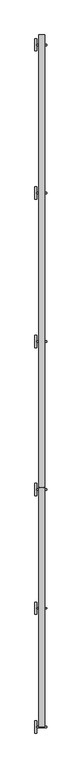
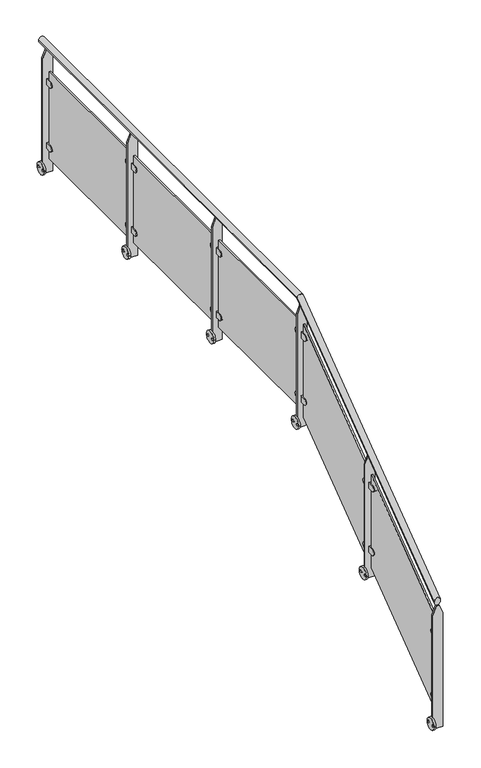
"""IFC4 building model written with IfcOpenShell, lengths in millimetres: railing geometry."""

from ifc_helpers import new_model, si_unit, point, frame, frame_2d, origin, place, context, project, spatial, polyline, circle_curve, ellipse_curve, trimmed, segment, composite_curve, outline, extrude, faceted_brep, source, transform, mapped, element, save
from ifc_brep_helpers import plane_surface, cylinder_surface, advanced_brep


def railing_c5476967(model_context):
    return source(origin(), model_context, "Body", "SolidModel", [
        advanced_brep(
        [(22556.3970847, 758.8773535, 1137.7352387), (22506.3970847, 758.8773535, 1137.7352387), (22506.3970847, 2701.0427821, 2588.6470588), (22556.3970847, 2701.0427821, 2588.6470588), (22556.3970847, 6358.8773535, 2588.6470588), (22506.3970847, 6358.8773535, 2588.6470588)],
        [
            (0, 1, ellipse_curve(frame((22531.3970847, 758.8773535, 1137.7352387), z_axis=(0.0, -1.0, 0.0), x_axis=(0.0, 0.0, -1.0)), 31.2059378, 25.0)),
            (1, 0, ellipse_curve(frame((22531.3970847, 758.8773535, 1137.7352387), z_axis=(0.0, -1.0, 0.0), x_axis=(0.0, 0.0, -1.0)), 31.2059378, 25.0)),
            (1, 2),
            (2, 3, ellipse_curve(frame((22531.3970847, 2701.0427821, 2588.6470588), z_axis=(0.0, -0.9489809231922535, -0.3153334860384772), x_axis=(0.0, 0.31533348603847766, -0.9489809231922534)), 26.3440491, 25.0)),
            (3, 0),
            (3, 2, ellipse_curve(frame((22531.3970847, 2701.0427821, 2588.6470588), z_axis=(0.0, -0.9489809231922535, -0.3153334860384772), x_axis=(0.0, 0.31533348603847766, -0.9489809231922534)), 26.3440491, 25.0)),
            (4, 5, circle_curve(frame((22531.3970847, 6358.8773535, 2588.6470588), z_axis=(0.0, 1.0, 0.0), x_axis=(-1.0, 0.0, 0.0)), 25.0)),
            (5, 4, circle_curve(frame((22531.3970847, 6358.8773535, 2588.6470588), z_axis=(0.0, 1.0, 0.0), x_axis=(-1.0, 0.0, 0.0)), 25.0)),
            (2, 5),
            (4, 3),
        ],
        [
            plane_surface(frame((22531.3970847, 758.8773535, 1168.9411765), z_axis=(0.0, -1.0, 0.0), x_axis=(0.0, 0.0, 1.0))),
            cylinder_surface(frame((22531.3970847, 773.8396267, 1148.9129368), z_axis=(0.0, -0.8011295851656431, -0.5984909253884512), x_axis=(-1.0, 0.0, 0.0)), 25.0),
            plane_surface(frame((22531.3970847, 6358.8773535, 2613.6470588), z_axis=(0.0, 1.0, 0.0), x_axis=(0.0, 0.0, 1.0))),
            cylinder_surface(frame((22531.3970847, 2692.7356212, 2588.6470588), z_axis=(0.0, -1.0, 0.0), x_axis=(-1.0, 0.0, 0.0)), 25.0),
        ],
        [
            (0, [[1, 2]]),
            (1, [[-2, 3, 4, 5]]),
            (1, [[-1, -5, 6, -3]]),
            (2, [[7, 8]]),
            (3, [[-4, 9, -7, 10]]),
            (3, [[-6, -10, -8, -9]]),
        ],
    ),
        extrude(outline(polyline([(1493.6470588, 22571.3970847), (2488.6470588, 22571.3970847), (2563.6470588, 22541.3970847), (2563.6470588, 22521.3970847), (2488.6470588, 22491.3970847), (1493.6470588, 22491.3970847), (1493.6470588, 22571.3970847)])), frame((0.0, 6272.8773535, 0.0), z_axis=(0.0, 1.0, 0.0), x_axis=(0.0, 0.0, 1.0)), (0.0, 0.0, 1.0), 12.0),
        extrude(outline(composite_curve([segment(trimmed(circle_curve(frame_2d((6278.8773535, 1543.6470588)), 50.0), [point((6328.8773535, 1543.6470588))], [point((6228.8773535, 1543.6470588))], False, "CARTESIAN"), True, "CONTINUOUS"), segment(trimmed(circle_curve(frame_2d((6278.8773535, 1543.6470588)), 50.0), [point((6228.8773535, 1543.6470588))], [point((6328.8773535, 1543.6470588))], False, "CARTESIAN"), True, "CONTINUOUS")], self_intersect=False), holes=[composite_curve([segment(trimmed(circle_curve(frame_2d((6309.8773535, 1543.6470588)), 9.0), [point((6318.8773535, 1543.6470588))], [point((6300.8773535, 1543.6470588))], True, "CARTESIAN"), True, "CONTINUOUS"), segment(trimmed(circle_curve(frame_2d((6309.8773535, 1543.6470588)), 9.0), [point((6300.8773535, 1543.6470588))], [point((6318.8773535, 1543.6470588))], True, "CARTESIAN"), True, "CONTINUOUS")], self_intersect=False), composite_curve([segment(trimmed(circle_curve(frame_2d((6247.8773535, 1543.6470588)), 9.0), [point((6256.8773535, 1543.6470588))], [point((6238.8773535, 1543.6470588))], True, "CARTESIAN"), True, "CONTINUOUS"), segment(trimmed(circle_curve(frame_2d((6247.8773535, 1543.6470588)), 9.0), [point((6238.8773535, 1543.6470588))], [point((6256.8773535, 1543.6470588))], True, "CARTESIAN"), True, "CONTINUOUS")], self_intersect=False)]), frame((22476.3970847, 0.0, 0.0), z_axis=(1.0, 0.0, 0.0), x_axis=(0.0, 1.0, 0.0)), (0.0, 0.0, 1.0), 15.0),
        extrude(outline(composite_curve([segment(polyline([(6228.0773535, 2304.0470588), (6272.8773535, 2304.0470588), (6272.8773535, 2253.2470588), (6228.0773535, 2253.2470588)]), True, "CONTINUOUS"), segment(trimmed(circle_curve(frame_2d((6228.0773535, 2278.6470588)), 25.4), [point((6228.0773535, 2253.2470588))], [point((6228.0773535, 2304.0470588))], False, "CARTESIAN"), True, "CONTINUOUS")], self_intersect=False)), frame((22522.2220847, 0.0, 0.0), z_axis=(1.0, 0.0, 0.0), x_axis=(0.0, 1.0, 0.0)), (0.0, 0.0, 1.0), 24.7),
        extrude(outline(composite_curve([segment(trimmed(circle_curve(frame_2d((5129.6773535, 2278.6470588)), 25.4), [point((5129.6773535, 2304.0470588))], [point((5129.6773535, 2253.2470588))], False, "CARTESIAN"), True, "CONTINUOUS"), segment(polyline([(5129.6773535, 2253.2470588), (5084.8773535, 2253.2470588), (5084.8773535, 2304.0470588), (5129.6773535, 2304.0470588)]), True, "CONTINUOUS")], self_intersect=False)), frame((22522.2220847, 0.0, 0.0), z_axis=(1.0, 0.0, 0.0), x_axis=(0.0, 1.0, 0.0)), (0.0, 0.0, 1.0), 24.7),
        extrude(outline(composite_curve([segment(polyline([(6228.0773535, 1754.0470588), (6272.8773535, 1754.0470588), (6272.8773535, 1703.2470588), (6228.0773535, 1703.2470588)]), True, "CONTINUOUS"), segment(trimmed(circle_curve(frame_2d((6228.0773535, 1728.6470588)), 25.4), [point((6228.0773535, 1703.2470588))], [point((6228.0773535, 1754.0470588))], False, "CARTESIAN"), True, "CONTINUOUS")], self_intersect=False)), frame((22522.2220847, 0.0, 0.0), z_axis=(1.0, 0.0, 0.0), x_axis=(0.0, 1.0, 0.0)), (0.0, 0.0, 1.0), 24.7),
        extrude(outline(composite_curve([segment(trimmed(circle_curve(frame_2d((5129.6773535, 1728.6470588)), 25.4), [point((5129.6773535, 1754.0470588))], [point((5129.6773535, 1703.2470588))], False, "CARTESIAN"), True, "CONTINUOUS"), segment(polyline([(5129.6773535, 1703.2470588), (5084.8773535, 1703.2470588), (5084.8773535, 1754.0470588), (5129.6773535, 1754.0470588)]), True, "CONTINUOUS")], self_intersect=False)), frame((22522.2220847, 0.0, 0.0), z_axis=(1.0, 0.0, 0.0), x_axis=(0.0, 1.0, 0.0)), (0.0, 0.0, 1.0), 24.7),
        extrude(outline(polyline([(22540.5720847, 5108.8773535), (22528.5720847, 5108.8773535), (22528.5720847, 6248.8773535), (22540.5720847, 6248.8773535), (22540.5720847, 5108.8773535)])), frame((0.0, 0.0, 1628.6470588), z_axis=(0.0, 0.0, 1.0), x_axis=(1.0, 0.0, 0.0)), (0.0, 0.0, 1.0), 750.0),
        extrude(outline(polyline([(1493.6470588, 22571.3970847), (2488.6470588, 22571.3970847), (2563.6470588, 22541.3970847), (2563.6470588, 22521.3970847), (2488.6470588, 22491.3970847), (1493.6470588, 22491.3970847), (1493.6470588, 22571.3970847)])), frame((0.0, 5072.8773535, 0.0), z_axis=(0.0, 1.0, 0.0), x_axis=(0.0, 0.0, 1.0)), (0.0, 0.0, 1.0), 12.0),
        extrude(outline(composite_curve([segment(trimmed(circle_curve(frame_2d((5078.8773535, 1543.6470588)), 50.0), [point((5128.8773535, 1543.6470588))], [point((5028.8773535, 1543.6470588))], False, "CARTESIAN"), True, "CONTINUOUS"), segment(trimmed(circle_curve(frame_2d((5078.8773535, 1543.6470588)), 50.0), [point((5028.8773535, 1543.6470588))], [point((5128.8773535, 1543.6470588))], False, "CARTESIAN"), True, "CONTINUOUS")], self_intersect=False), holes=[composite_curve([segment(trimmed(circle_curve(frame_2d((5109.8773535, 1543.6470588)), 9.0), [point((5118.8773535, 1543.6470588))], [point((5100.8773535, 1543.6470588))], True, "CARTESIAN"), True, "CONTINUOUS"), segment(trimmed(circle_curve(frame_2d((5109.8773535, 1543.6470588)), 9.0), [point((5100.8773535, 1543.6470588))], [point((5118.8773535, 1543.6470588))], True, "CARTESIAN"), True, "CONTINUOUS")], self_intersect=False), composite_curve([segment(trimmed(circle_curve(frame_2d((5047.8773535, 1543.6470588)), 9.0), [point((5056.8773535, 1543.6470588))], [point((5038.8773535, 1543.6470588))], True, "CARTESIAN"), True, "CONTINUOUS"), segment(trimmed(circle_curve(frame_2d((5047.8773535, 1543.6470588)), 9.0), [point((5038.8773535, 1543.6470588))], [point((5056.8773535, 1543.6470588))], True, "CARTESIAN"), True, "CONTINUOUS")], self_intersect=False)]), frame((22476.3970847, 0.0, 0.0), z_axis=(1.0, 0.0, 0.0), x_axis=(0.0, 1.0, 0.0)), (0.0, 0.0, 1.0), 15.0),
        extrude(outline(composite_curve([segment(polyline([(5028.0773535, 2304.0470588), (5072.8773535, 2304.0470588), (5072.8773535, 2253.2470588), (5028.0773535, 2253.2470588)]), True, "CONTINUOUS"), segment(trimmed(circle_curve(frame_2d((5028.0773535, 2278.6470588)), 25.4), [point((5028.0773535, 2253.2470588))], [point((5028.0773535, 2304.0470588))], False, "CARTESIAN"), True, "CONTINUOUS")], self_intersect=False)), frame((22522.2220847, 0.0, 0.0), z_axis=(1.0, 0.0, 0.0), x_axis=(0.0, 1.0, 0.0)), (0.0, 0.0, 1.0), 24.7),
        extrude(outline(composite_curve([segment(trimmed(circle_curve(frame_2d((3929.6773535, 2278.6470588)), 25.4), [point((3929.6773535, 2304.0470588))], [point((3929.6773535, 2253.2470588))], False, "CARTESIAN"), True, "CONTINUOUS"), segment(polyline([(3929.6773535, 2253.2470588), (3884.8773535, 2253.2470588), (3884.8773535, 2304.0470588), (3929.6773535, 2304.0470588)]), True, "CONTINUOUS")], self_intersect=False)), frame((22522.2220847, 0.0, 0.0), z_axis=(1.0, 0.0, 0.0), x_axis=(0.0, 1.0, 0.0)), (0.0, 0.0, 1.0), 24.7),
        extrude(outline(composite_curve([segment(polyline([(5028.0773535, 1754.0470588), (5072.8773535, 1754.0470588), (5072.8773535, 1703.2470588), (5028.0773535, 1703.2470588)]), True, "CONTINUOUS"), segment(trimmed(circle_curve(frame_2d((5028.0773535, 1728.6470588)), 25.4), [point((5028.0773535, 1703.2470588))], [point((5028.0773535, 1754.0470588))], False, "CARTESIAN"), True, "CONTINUOUS")], self_intersect=False)), frame((22522.2220847, 0.0, 0.0), z_axis=(1.0, 0.0, 0.0), x_axis=(0.0, 1.0, 0.0)), (0.0, 0.0, 1.0), 24.7),
        extrude(outline(composite_curve([segment(trimmed(circle_curve(frame_2d((3929.6773535, 1728.6470588)), 25.4), [point((3929.6773535, 1754.0470588))], [point((3929.6773535, 1703.2470588))], False, "CARTESIAN"), True, "CONTINUOUS"), segment(polyline([(3929.6773535, 1703.2470588), (3884.8773535, 1703.2470588), (3884.8773535, 1754.0470588), (3929.6773535, 1754.0470588)]), True, "CONTINUOUS")], self_intersect=False)), frame((22522.2220847, 0.0, 0.0), z_axis=(1.0, 0.0, 0.0), x_axis=(0.0, 1.0, 0.0)), (0.0, 0.0, 1.0), 24.7),
        extrude(outline(polyline([(22540.5720847, 3908.8773535), (22528.5720847, 3908.8773535), (22528.5720847, 5048.8773535), (22540.5720847, 5048.8773535), (22540.5720847, 3908.8773535)])), frame((0.0, 0.0, 1628.6470588), z_axis=(0.0, 0.0, 1.0), x_axis=(1.0, 0.0, 0.0)), (0.0, 0.0, 1.0), 750.0),
        extrude(outline(polyline([(1493.6470588, 22571.3970847), (2488.6470588, 22571.3970847), (2563.6470588, 22541.3970847), (2563.6470588, 22521.3970847), (2488.6470588, 22491.3970847), (1493.6470588, 22491.3970847), (1493.6470588, 22571.3970847)])), frame((0.0, 3872.8773535, 0.0), z_axis=(0.0, 1.0, 0.0), x_axis=(0.0, 0.0, 1.0)), (0.0, 0.0, 1.0), 12.0),
        extrude(outline(composite_curve([segment(trimmed(circle_curve(frame_2d((3878.8773535, 1543.6470588)), 50.0), [point((3928.8773535, 1543.6470588))], [point((3828.8773535, 1543.6470588))], False, "CARTESIAN"), True, "CONTINUOUS"), segment(trimmed(circle_curve(frame_2d((3878.8773535, 1543.6470588)), 50.0), [point((3828.8773535, 1543.6470588))], [point((3928.8773535, 1543.6470588))], False, "CARTESIAN"), True, "CONTINUOUS")], self_intersect=False), holes=[composite_curve([segment(trimmed(circle_curve(frame_2d((3909.8773535, 1543.6470588)), 9.0), [point((3918.8773535, 1543.6470588))], [point((3900.8773535, 1543.6470588))], True, "CARTESIAN"), True, "CONTINUOUS"), segment(trimmed(circle_curve(frame_2d((3909.8773535, 1543.6470588)), 9.0), [point((3900.8773535, 1543.6470588))], [point((3918.8773535, 1543.6470588))], True, "CARTESIAN"), True, "CONTINUOUS")], self_intersect=False), composite_curve([segment(trimmed(circle_curve(frame_2d((3847.8773535, 1543.6470588)), 9.0), [point((3856.8773535, 1543.6470588))], [point((3838.8773535, 1543.6470588))], True, "CARTESIAN"), True, "CONTINUOUS"), segment(trimmed(circle_curve(frame_2d((3847.8773535, 1543.6470588)), 9.0), [point((3838.8773535, 1543.6470588))], [point((3856.8773535, 1543.6470588))], True, "CARTESIAN"), True, "CONTINUOUS")], self_intersect=False)]), frame((22476.3970847, 0.0, 0.0), z_axis=(1.0, 0.0, 0.0), x_axis=(0.0, 1.0, 0.0)), (0.0, 0.0, 1.0), 15.0),
        extrude(outline(composite_curve([segment(polyline([(3828.0773535, 2304.0470588), (3872.8773535, 2304.0470588), (3872.8773535, 2253.2470588), (3828.0773535, 2253.2470588)]), True, "CONTINUOUS"), segment(trimmed(circle_curve(frame_2d((3828.0773535, 2278.6470588)), 25.4), [point((3828.0773535, 2253.2470588))], [point((3828.0773535, 2304.0470588))], False, "CARTESIAN"), True, "CONTINUOUS")], self_intersect=False)), frame((22522.2220847, 0.0, 0.0), z_axis=(1.0, 0.0, 0.0), x_axis=(0.0, 1.0, 0.0)), (0.0, 0.0, 1.0), 24.7),
        extrude(outline(composite_curve([segment(trimmed(circle_curve(frame_2d((2729.6773535, 2278.6470588)), 25.4), [point((2729.6773535, 2304.0470588))], [point((2729.6773535, 2253.2470588))], False, "CARTESIAN"), True, "CONTINUOUS"), segment(polyline([(2729.6773535, 2253.2470588), (2684.8773535, 2253.2470588), (2684.8773535, 2304.0470588), (2729.6773535, 2304.0470588)]), True, "CONTINUOUS")], self_intersect=False)), frame((22522.2220847, 0.0, 0.0), z_axis=(1.0, 0.0, 0.0), x_axis=(0.0, 1.0, 0.0)), (0.0, 0.0, 1.0), 24.7),
        extrude(outline(composite_curve([segment(polyline([(3828.0773535, 1754.0470588), (3872.8773535, 1754.0470588), (3872.8773535, 1703.2470588), (3828.0773535, 1703.2470588)]), True, "CONTINUOUS"), segment(trimmed(circle_curve(frame_2d((3828.0773535, 1728.6470588)), 25.4), [point((3828.0773535, 1703.2470588))], [point((3828.0773535, 1754.0470588))], False, "CARTESIAN"), True, "CONTINUOUS")], self_intersect=False)), frame((22522.2220847, 0.0, 0.0), z_axis=(1.0, 0.0, 0.0), x_axis=(0.0, 1.0, 0.0)), (0.0, 0.0, 1.0), 24.7),
        extrude(outline(composite_curve([segment(trimmed(circle_curve(frame_2d((2729.6773535, 1728.6470588)), 25.4), [point((2729.6773535, 1754.0470588))], [point((2729.6773535, 1703.2470588))], False, "CARTESIAN"), True, "CONTINUOUS"), segment(polyline([(2729.6773535, 1703.2470588), (2684.8773535, 1703.2470588), (2684.8773535, 1754.0470588), (2729.6773535, 1754.0470588)]), True, "CONTINUOUS")], self_intersect=False)), frame((22522.2220847, 0.0, 0.0), z_axis=(1.0, 0.0, 0.0), x_axis=(0.0, 1.0, 0.0)), (0.0, 0.0, 1.0), 24.7),
        extrude(outline(polyline([(22540.5720847, 2708.8773535), (22528.5720847, 2708.8773535), (22528.5720847, 3848.8773535), (22540.5720847, 3848.8773535), (22540.5720847, 2708.8773535)])), frame((0.0, 0.0, 1628.6470588), z_axis=(0.0, 0.0, 1.0), x_axis=(1.0, 0.0, 0.0)), (0.0, 0.0, 1.0), 750.0),
        faceted_brep([(22571.3970847, 2684.8773535, 1483.2941176), (22571.3970847, 2684.8773535, 2465.8822421), (22571.3970847, 2672.8773535, 2465.8822421), (22571.3970847, 2672.8773535, 1483.2941176), (22491.3970847, 2672.8773535, 1483.2941176), (22491.3970847, 2672.8773535, 2465.8822421), (22491.3970847, 2684.8773535, 2465.8822421), (22491.3970847, 2684.8773535, 1483.2941176), (22543.1900259, 2672.8773535, 2536.3998891), (22519.6041436, 2672.8773535, 2536.3998891), (22539.6041436, 2684.8773535, 2545.364595), (22523.1900259, 2684.8773535, 2545.364595)], [[[0, 1, 2, 3]], [[4, 5, 6, 7]], [[3, 2, 8, 9, 5, 4]], [[8, 10, 11, 9]], [[7, 6, 11, 10, 1, 0]], [[3, 4, 7, 0]], [[5, 9, 11, 6]], [[1, 10, 8, 2]]]),
        extrude(outline(composite_curve([segment(trimmed(circle_curve(frame_2d((2678.8773535, 1533.2941176)), 50.0), [point((2728.8773535, 1533.2941176))], [point((2628.8773535, 1533.2941176))], False, "CARTESIAN"), True, "CONTINUOUS"), segment(trimmed(circle_curve(frame_2d((2678.8773535, 1533.2941176)), 50.0), [point((2628.8773535, 1533.2941176))], [point((2728.8773535, 1533.2941176))], False, "CARTESIAN"), True, "CONTINUOUS")], self_intersect=False), holes=[composite_curve([segment(trimmed(circle_curve(frame_2d((2709.8773535, 1533.2941176)), 9.0), [point((2718.8773535, 1533.2941176))], [point((2700.8773535, 1533.2941176))], True, "CARTESIAN"), True, "CONTINUOUS"), segment(trimmed(circle_curve(frame_2d((2709.8773535, 1533.2941176)), 9.0), [point((2700.8773535, 1533.2941176))], [point((2718.8773535, 1533.2941176))], True, "CARTESIAN"), True, "CONTINUOUS")], self_intersect=False), composite_curve([segment(trimmed(circle_curve(frame_2d((2647.8773535, 1533.2941176)), 9.0), [point((2656.8773535, 1533.2941176))], [point((2638.8773535, 1533.2941176))], True, "CARTESIAN"), True, "CONTINUOUS"), segment(trimmed(circle_curve(frame_2d((2647.8773535, 1533.2941176)), 9.0), [point((2638.8773535, 1533.2941176))], [point((2656.8773535, 1533.2941176))], True, "CARTESIAN"), True, "CONTINUOUS")], self_intersect=False)]), frame((22476.3970847, 0.0, 0.0), z_axis=(1.0, 0.0, 0.0), x_axis=(0.0, 1.0, 0.0)), (0.0, 0.0, 1.0), 15.0),
        extrude(outline(composite_curve([segment(polyline([(2628.0773535, 2303.8703665), (2672.8773535, 2303.8703665), (2672.8773535, 2253.0703665), (2628.0773535, 2253.0703665)]), True, "CONTINUOUS"), segment(trimmed(circle_curve(frame_2d((2628.0773535, 2278.4703665)), 25.4), [point((2628.0773535, 2253.0703665))], [point((2628.0773535, 2303.8703665))], False, "CARTESIAN"), True, "CONTINUOUS")], self_intersect=False)), frame((22522.2220847, 0.0, 0.0), z_axis=(1.0, 0.0, 0.0), x_axis=(0.0, 1.0, 0.0)), (0.0, 0.0, 1.0), 24.7),
        extrude(outline(composite_curve([segment(trimmed(circle_curve(frame_2d((1769.6773535, 1561.2938959)), 25.4), [point((1769.6773535, 1586.6938959))], [point((1769.6773535, 1535.8938959))], False, "CARTESIAN"), True, "CONTINUOUS"), segment(polyline([(1769.6773535, 1535.8938959), (1724.8773535, 1535.8938959), (1724.8773535, 1586.6938959), (1769.6773535, 1586.6938959)]), True, "CONTINUOUS")], self_intersect=False)), frame((22522.2220847, 0.0, 0.0), z_axis=(1.0, 0.0, 0.0), x_axis=(0.0, 1.0, 0.0)), (0.0, 0.0, 1.0), 24.7),
        extrude(outline(composite_curve([segment(polyline([(2628.0773535, 1753.5178688), (2672.8773535, 1753.5178688), (2672.8773535, 1702.7178688), (2628.0773535, 1702.7178688)]), True, "CONTINUOUS"), segment(trimmed(circle_curve(frame_2d((2628.0773535, 1728.1178688)), 25.4), [point((2628.0773535, 1702.7178688))], [point((2628.0773535, 1753.5178688))], False, "CARTESIAN"), True, "CONTINUOUS")], self_intersect=False)), frame((22522.2220847, 0.0, 0.0), z_axis=(1.0, 0.0, 0.0), x_axis=(0.0, 1.0, 0.0)), (0.0, 0.0, 1.0), 24.7),
        extrude(outline(composite_curve([segment(trimmed(circle_curve(frame_2d((1769.6773535, 1010.9413982)), 25.4), [point((1769.6773535, 1036.3413982))], [point((1769.6773535, 985.5413982))], False, "CARTESIAN"), True, "CONTINUOUS"), segment(polyline([(1769.6773535, 985.5413982), (1724.8773535, 985.5413982), (1724.8773535, 1036.3413982), (1769.6773535, 1036.3413982)]), True, "CONTINUOUS")], self_intersect=False)), frame((22522.2220847, 0.0, 0.0), z_axis=(1.0, 0.0, 0.0), x_axis=(0.0, 1.0, 0.0)), (0.0, 0.0, 1.0), 24.7),
        extrude(outline(polyline([(1748.8773535, 1708.5294118), (2648.8773535, 2380.8823529), (2648.8773535, 1580.8823529), (1748.8773535, 908.5294118), (1748.8773535, 1708.5294118)])), frame((22528.5720847, 0.0, 0.0), z_axis=(1.0, 0.0, 0.0), x_axis=(0.0, 1.0, 0.0)), (0.0, 0.0, 1.0), 12.0),
        faceted_brep([(22571.3970847, 1724.8773535, 766.1176471), (22571.3970847, 1724.8773535, 1748.7057715), (22571.3970847, 1712.8773535, 1748.7057715), (22571.3970847, 1712.8773535, 766.1176471), (22491.3970847, 1712.8773535, 766.1176471), (22491.3970847, 1712.8773535, 1748.7057715), (22491.3970847, 1724.8773535, 1748.7057715), (22491.3970847, 1724.8773535, 766.1176471), (22543.1900259, 1712.8773535, 1819.2234185), (22519.6041436, 1712.8773535, 1819.2234185), (22539.6041436, 1724.8773535, 1828.1881244), (22523.1900259, 1724.8773535, 1828.1881244)], [[[0, 1, 2, 3]], [[4, 5, 6, 7]], [[3, 2, 8, 9, 5, 4]], [[8, 10, 11, 9]], [[7, 6, 11, 10, 1, 0]], [[3, 4, 7, 0]], [[5, 9, 11, 6]], [[1, 10, 8, 2]]]),
        extrude(outline(composite_curve([segment(trimmed(circle_curve(frame_2d((1718.8773535, 816.1176471)), 50.0), [point((1768.8773535, 816.1176471))], [point((1668.8773535, 816.1176471))], False, "CARTESIAN"), True, "CONTINUOUS"), segment(trimmed(circle_curve(frame_2d((1718.8773535, 816.1176471)), 50.0), [point((1668.8773535, 816.1176471))], [point((1768.8773535, 816.1176471))], False, "CARTESIAN"), True, "CONTINUOUS")], self_intersect=False), holes=[composite_curve([segment(trimmed(circle_curve(frame_2d((1749.8773535, 816.1176471)), 9.0), [point((1758.8773535, 816.1176471))], [point((1740.8773535, 816.1176471))], True, "CARTESIAN"), True, "CONTINUOUS"), segment(trimmed(circle_curve(frame_2d((1749.8773535, 816.1176471)), 9.0), [point((1740.8773535, 816.1176471))], [point((1758.8773535, 816.1176471))], True, "CARTESIAN"), True, "CONTINUOUS")], self_intersect=False), composite_curve([segment(trimmed(circle_curve(frame_2d((1687.8773535, 816.1176471)), 9.0), [point((1696.8773535, 816.1176471))], [point((1678.8773535, 816.1176471))], True, "CARTESIAN"), True, "CONTINUOUS"), segment(trimmed(circle_curve(frame_2d((1687.8773535, 816.1176471)), 9.0), [point((1678.8773535, 816.1176471))], [point((1696.8773535, 816.1176471))], True, "CARTESIAN"), True, "CONTINUOUS")], self_intersect=False)]), frame((22476.3970847, 0.0, 0.0), z_axis=(1.0, 0.0, 0.0), x_axis=(0.0, 1.0, 0.0)), (0.0, 0.0, 1.0), 15.0),
        extrude(outline(composite_curve([segment(polyline([(1668.0773535, 1586.6938959), (1712.8773535, 1586.6938959), (1712.8773535, 1535.8938959), (1668.0773535, 1535.8938959)]), True, "CONTINUOUS"), segment(trimmed(circle_curve(frame_2d((1668.0773535, 1561.2938959)), 25.4), [point((1668.0773535, 1535.8938959))], [point((1668.0773535, 1586.6938959))], False, "CARTESIAN"), True, "CONTINUOUS")], self_intersect=False)), frame((22522.2220847, 0.0, 0.0), z_axis=(1.0, 0.0, 0.0), x_axis=(0.0, 1.0, 0.0)), (0.0, 0.0, 1.0), 24.7),
        extrude(outline(composite_curve([segment(trimmed(circle_curve(frame_2d((809.6773535, 844.1174253)), 25.4), [point((809.6773535, 869.5174253))], [point((809.6773535, 818.7174253))], False, "CARTESIAN"), True, "CONTINUOUS"), segment(polyline([(809.6773535, 818.7174253), (764.8773535, 818.7174253), (764.8773535, 869.5174253), (809.6773535, 869.5174253)]), True, "CONTINUOUS")], self_intersect=False)), frame((22522.2220847, 0.0, 0.0), z_axis=(1.0, 0.0, 0.0), x_axis=(0.0, 1.0, 0.0)), (0.0, 0.0, 1.0), 24.7),
        extrude(outline(composite_curve([segment(polyline([(1668.0773535, 1036.3413982), (1712.8773535, 1036.3413982), (1712.8773535, 985.5413982), (1668.0773535, 985.5413982)]), True, "CONTINUOUS"), segment(trimmed(circle_curve(frame_2d((1668.0773535, 1010.9413982)), 25.4), [point((1668.0773535, 985.5413982))], [point((1668.0773535, 1036.3413982))], False, "CARTESIAN"), True, "CONTINUOUS")], self_intersect=False)), frame((22522.2220847, 0.0, 0.0), z_axis=(1.0, 0.0, 0.0), x_axis=(0.0, 1.0, 0.0)), (0.0, 0.0, 1.0), 24.7),
        extrude(outline(composite_curve([segment(trimmed(circle_curve(frame_2d((809.6773535, 293.7649276)), 25.4), [point((809.6773535, 319.1649276))], [point((809.6773535, 268.3649276))], False, "CARTESIAN"), True, "CONTINUOUS"), segment(polyline([(809.6773535, 268.3649276), (764.8773535, 268.3649276), (764.8773535, 319.1649276), (809.6773535, 319.1649276)]), True, "CONTINUOUS")], self_intersect=False)), frame((22522.2220847, 0.0, 0.0), z_axis=(1.0, 0.0, 0.0), x_axis=(0.0, 1.0, 0.0)), (0.0, 0.0, 1.0), 24.7),
        extrude(outline(polyline([(788.8773535, 991.3529412), (1688.8773535, 1663.7058824), (1688.8773535, 863.7058824), (788.8773535, 191.3529412), (788.8773535, 991.3529412)])), frame((22528.5720847, 0.0, 0.0), z_axis=(1.0, 0.0, 0.0), x_axis=(0.0, 1.0, 0.0)), (0.0, 0.0, 1.0), 12.0),
        faceted_brep([(22571.3970847, 764.8773535, 48.9411765), (22571.3970847, 764.8773535, 1031.5293009), (22571.3970847, 752.8773535, 1031.5293009), (22571.3970847, 752.8773535, 48.9411765), (22491.3970847, 752.8773535, 48.9411765), (22491.3970847, 752.8773535, 1031.5293009), (22491.3970847, 764.8773535, 1031.5293009), (22491.3970847, 764.8773535, 48.9411765), (22543.1900259, 752.8773535, 1102.0469479), (22519.6041436, 752.8773535, 1102.0469479), (22539.6041436, 764.8773535, 1111.0116538), (22523.1900259, 764.8773535, 1111.0116538)], [[[0, 1, 2, 3]], [[4, 5, 6, 7]], [[3, 2, 8, 9, 5, 4]], [[8, 10, 11, 9]], [[7, 6, 11, 10, 1, 0]], [[3, 4, 7, 0]], [[5, 9, 11, 6]], [[1, 10, 8, 2]]]),
        extrude(outline(composite_curve([segment(trimmed(circle_curve(frame_2d((758.8773535, 98.9411765)), 50.0), [point((808.8773535, 98.9411765))], [point((708.8773535, 98.9411765))], False, "CARTESIAN"), True, "CONTINUOUS"), segment(trimmed(circle_curve(frame_2d((758.8773535, 98.9411765)), 50.0), [point((708.8773535, 98.9411765))], [point((808.8773535, 98.9411765))], False, "CARTESIAN"), True, "CONTINUOUS")], self_intersect=False), holes=[composite_curve([segment(trimmed(circle_curve(frame_2d((789.8773535, 98.9411765)), 9.0), [point((798.8773535, 98.9411765))], [point((780.8773535, 98.9411765))], True, "CARTESIAN"), True, "CONTINUOUS"), segment(trimmed(circle_curve(frame_2d((789.8773535, 98.9411765)), 9.0), [point((780.8773535, 98.9411765))], [point((798.8773535, 98.9411765))], True, "CARTESIAN"), True, "CONTINUOUS")], self_intersect=False), composite_curve([segment(trimmed(circle_curve(frame_2d((727.8773535, 98.9411765)), 9.0), [point((736.8773535, 98.9411765))], [point((718.8773535, 98.9411765))], True, "CARTESIAN"), True, "CONTINUOUS"), segment(trimmed(circle_curve(frame_2d((727.8773535, 98.9411765)), 9.0), [point((718.8773535, 98.9411765))], [point((736.8773535, 98.9411765))], True, "CARTESIAN"), True, "CONTINUOUS")], self_intersect=False)]), frame((22476.3970847, 0.0, 0.0), z_axis=(1.0, 0.0, 0.0), x_axis=(0.0, 1.0, 0.0)), (0.0, 0.0, 1.0), 15.0),
    ])


if __name__ == "__main__":
    model = new_model("IFC4")
    model_context = context("Model", 3, world=origin())
    ifc_project = project(units=[si_unit("LENGTHUNIT", "METRE", prefix="MILLI")], contexts=[model_context])
    site = spatial("IfcSite", under=ifc_project)
    building = spatial("IfcBuilding", under=site)
    placement = place(None, origin())
    railing_shape = railing_c5476967(model_context)
    element("IfcRailing", 1, at=placement, inside=building, context=model_context, shape_type="MappedRepresentation", body=[
        mapped(railing_shape, transform((0.0, 0.0, 0.0), x_axis=(1.0, 0.0, 0.0), y_axis=(0.0, 1.0, 0.0), z_axis=(0.0, 0.0, 1.0))),
    ])
    save(model, "model.ifc")
